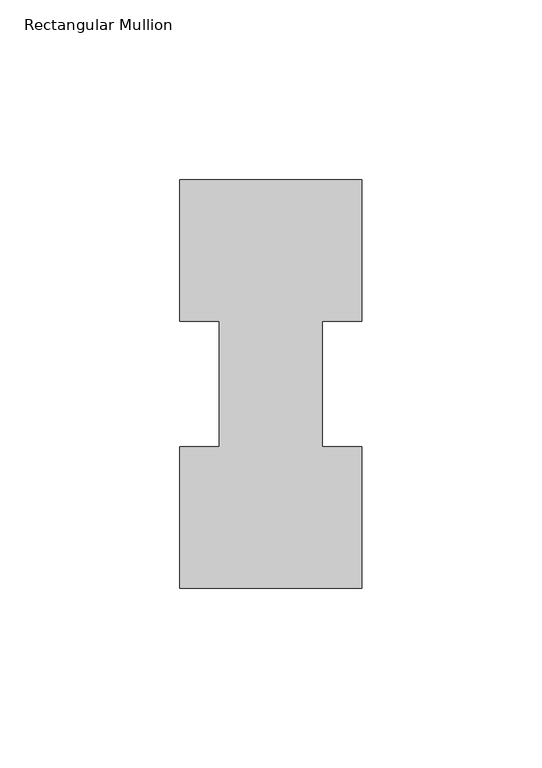
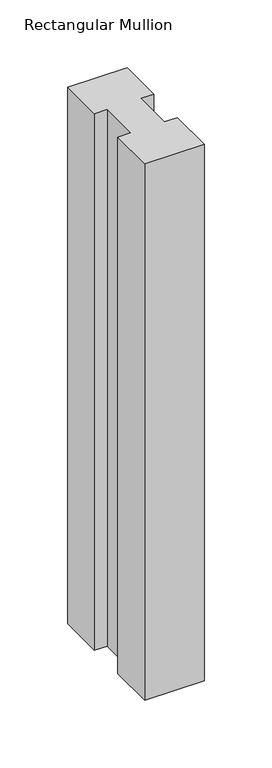
"""IFC4 building model written with IfcOpenShell, lengths in millimetres: member geometry, Rectangular Mullion."""

import ifcopenshell
import ifcopenshell.guid

model = None  # the IFC model being written
_history = None  # IfcOwnerHistory: only IFC2X3 demands one
_inside = {}  # id of a spatial element -> (the spatial element, [elements in it])
_under = {}  # id of a project, library or spatial element -> (it, [spatial elements below it])
_declared = {}  # id of a project -> (the project, [libraries it declares])
_typed = {}  # id of a type object -> (the type object, [elements of that type])
_made_of = {}  # id of a material, layer set ... -> (it, [elements and type objects made of it])


def new_model(schema):
    """Start an empty IFC model of exactly this schema.

    Asked for "IFC4X3", IfcOpenShell would pick the latest addendum, in which some entities
    have other attributes; the version numbers below select the first issue.
    IFC2X3 requires an IfcOwnerHistory on every rooted entity: one is made here for all.
    """
    global model, _history
    if schema == "IFC4X3":
        model = ifcopenshell.file(schema_version=(4, 3, 0, 0))
    else:
        model = ifcopenshell.file(schema=schema)
    _inside.clear()
    _under.clear()
    _declared.clear()
    _typed.clear()
    _made_of.clear()
    _history = None
    if model.schema == "IFC2X3":
        org = make("IfcOrganization", Name="unknown")
        user = make(
            "IfcPersonAndOrganization",
            ThePerson=make("IfcPerson", FamilyName="unknown"),
            TheOrganization=org,
        )
        app = make(
            "IfcApplication",
            ApplicationDeveloper=org,
            Version="unknown",
            ApplicationFullName="unknown",
            ApplicationIdentifier="unknown",
        )
        _history = make(
            "IfcOwnerHistory",
            OwningUser=user,
            OwningApplication=app,
            ChangeAction="ADDED",
            CreationDate=0,
        )
    return model


def make(cls, **values):
    """One entity of the class cls with the attributes given. An attribute that is None is left unset."""
    return model.create_entity(
        cls, **{name: value for name, value in values.items() if value is not None}
    )


def rooted(cls, **values):
    """An entity with a GlobalId (a new one), such as an element, a storey or a relation."""
    return make(cls, GlobalId=ifcopenshell.guid.new(), OwnerHistory=_history, **values)


def si_unit(unit_type, name, prefix=None):
    """IfcSIUnit, for example si_unit("LENGTHUNIT", "METRE", prefix="MILLI")."""
    return make("IfcSIUnit", UnitType=unit_type, Prefix=prefix, Name=name)


def assignment(units):
    """IfcUnitAssignment: the units of a project."""
    return None if units is None else make("IfcUnitAssignment", Units=units)


def point(xyz):
    """IfcCartesianPoint."""
    return None if xyz is None else make("IfcCartesianPoint", Coordinates=xyz)


def direction(xyz):
    """IfcDirection."""
    return None if xyz is None else make("IfcDirection", DirectionRatios=xyz)


def frame(location, z_axis=None, x_axis=None):
    """IfcAxis2Placement3D, a coordinate frame: its origin and axes. An axis left out is left unset."""
    return make(
        "IfcAxis2Placement3D",
        Location=point(location),
        Axis=direction(z_axis),
        RefDirection=direction(x_axis),
    )


def origin():
    """The frame at (0, 0, 0) with its axes left unset."""
    return frame((0.0, 0.0, 0.0))


def place(relative_to, where):
    """IfcLocalPlacement: puts the frame where relative to a parent placement (None: the world)."""
    return make(
        "IfcLocalPlacement", PlacementRelTo=relative_to, RelativePlacement=where
    )


def context(
    kind, dimensions, precision=None, world=None, true_north=None, identifier=None
):
    """IfcGeometricRepresentationContext, for example the 3D "Model" context."""
    return make(
        "IfcGeometricRepresentationContext",
        ContextIdentifier=identifier,
        ContextType=kind,
        CoordinateSpaceDimension=dimensions,
        Precision=precision,
        WorldCoordinateSystem=world,
        TrueNorth=true_north,
    )


def project(units=None, contexts=None):
    """IfcProject with its units and contexts."""
    return rooted(
        "IfcProject",
        Name="project",
        RepresentationContexts=contexts,
        UnitsInContext=assignment(units),
    )


def spatial(cls, under=None, at=None, **own):
    """A site, building, storey or space (cls), placed at a placement, below another one or the project."""
    s = rooted(cls, ObjectPlacement=at, **own)
    if under is not None:
        _under.setdefault(under.id(), (under, []))[1].append(s)
    return s


def polyline(points):
    """IfcPolyline through the points."""
    return make("IfcPolyline", Points=[point(p) for p in points])


def outline(outer, holes=None, kind="AREA"):
    """IfcArbitraryClosedProfileDef: a profile drawn as a closed curve; with holes, ...WithVoids."""
    if holes is None:
        return make("IfcArbitraryClosedProfileDef", ProfileType=kind, OuterCurve=outer)
    return make(
        "IfcArbitraryProfileDefWithVoids",
        ProfileType=kind,
        OuterCurve=outer,
        InnerCurves=holes,
    )


def extrude(swept, where, along, depth):
    """IfcExtrudedAreaSolid: the profile swept, set in the frame where, extruded along a direction by depth."""
    return make(
        "IfcExtrudedAreaSolid",
        SweptArea=swept,
        Position=where,
        ExtrudedDirection=direction(along),
        Depth=depth,
    )


def shape(context_of_items, identifier, shape_type, items):
    """IfcShapeRepresentation: the items that make up one representation, for example the "Body"."""
    return make(
        "IfcShapeRepresentation",
        ContextOfItems=context_of_items,
        RepresentationIdentifier=identifier,
        RepresentationType=shape_type,
        Items=items,
    )


def source(mapping_origin, context_of_items, identifier, shape_type, items):
    """IfcRepresentationMap: a shape defined once, which mapped items show again and again."""
    return make(
        "IfcRepresentationMap",
        MappingOrigin=mapping_origin,
        MappedRepresentation=shape(context_of_items, identifier, shape_type, items),
    )


def transform(
    local_origin,
    x_axis=None,
    y_axis=None,
    z_axis=None,
    scale=None,
    scale2=None,
    scale3=None,
    uniform=True,
):
    """IfcCartesianTransformationOperator3D, or its non-uniform kind. x_axis, y_axis, z_axis: its Axis1, 2, 3."""
    if uniform:
        return make(
            "IfcCartesianTransformationOperator3D",
            Axis1=direction(x_axis),
            Axis2=direction(y_axis),
            LocalOrigin=point(local_origin),
            Scale=scale,
            Axis3=direction(z_axis),
        )
    return make(
        "IfcCartesianTransformationOperator3DnonUniform",
        Axis1=direction(x_axis),
        Axis2=direction(y_axis),
        LocalOrigin=point(local_origin),
        Scale=scale,
        Axis3=direction(z_axis),
        Scale2=scale2,
        Scale3=scale3,
    )


def mapped(mapping_source, mapping_target):
    """IfcMappedItem: shows the shape of a source again, moved by a transform."""
    return make(
        "IfcMappedItem", MappingSource=mapping_source, MappingTarget=mapping_target
    )


def made_of(thing, what):
    """Note that an element or type object is made of a material, layer set ...; save() writes the relation."""
    if what is not None:
        _made_of.setdefault(what.id(), (what, []))[1].append(thing)
    return thing


def element(
    cls,
    number,
    at=None,
    inside=None,
    cuts=None,
    type_object=None,
    material=None,
    context=None,
    identifier="Body",
    shape_type=None,
    held_by="IfcProductDefinitionShape",
    body=None,
    shapes=None,
    **own,
):
    """One element of the class cls, such as IfcWall. Its Tag is "e" and its number.

    at: its placement. inside: the storey or other place that contains it. cuts: it is an
    opening in that element (IfcRelVoidsElement). A single representation is given by context,
    identifier, shape_type and body (its items); several are given by shapes. held_by: the class
    of the entity that holds the representations. save() writes the other relations.
    """
    e = rooted(cls, Tag="e%d" % number, ObjectPlacement=at, **own)
    if body is not None:
        shapes = [shape(context, identifier, shape_type, body)]
    if shapes is not None:
        e.Representation = make(held_by, Representations=shapes)
    if inside is not None:
        _inside.setdefault(inside.id(), (inside, []))[1].append(e)
    if cuts is not None:
        rooted(
            "IfcRelVoidsElement", RelatingBuildingElement=cuts, RelatedOpeningElement=e
        )
    if type_object is not None:
        _typed.setdefault(type_object.id(), (type_object, []))[1].append(e)
    return made_of(e, material)


def aggregate(whole, parts):
    """IfcRelAggregates: a whole, such as a stair, and the parts it consists of."""
    return rooted("IfcRelAggregates", RelatingObject=whole, RelatedObjects=parts)


def save(model, path):
    """Write the relations noted so far, then the file.

    IfcRelAggregates (storeys below a building ...), IfcRelContainedInSpatialStructure (elements
    in a storey), IfcRelDefinesByType, IfcRelAssociatesMaterial and IfcRelDeclares: one each for
    every whole, place, type object, material and project.
    """
    for whole, parts in _under.values():
        aggregate(whole, parts)
    for where, things in _inside.values():
        rooted(
            "IfcRelContainedInSpatialStructure",
            RelatedElements=things,
            RelatingStructure=where,
        )
    for kind, things in _typed.values():
        rooted("IfcRelDefinesByType", RelatedObjects=things, RelatingType=kind)
    for what, things in _made_of.values():
        rooted("IfcRelAssociatesMaterial", RelatedObjects=things, RelatingMaterial=what)
    for by, libraries in _declared.values():
        rooted("IfcRelDeclares", RelatingContext=by, RelatedDefinitions=libraries)
    model.write(path)


def rectangular_mullion_38c3f34f(model_context):
    return source(origin(), model_context, "Body", "SweptSolid", [
        extrude(outline(polyline([(-50.8, 114.017425), (0.0, 114.017425), (0.0, 74.596625), (-11.0998, 74.596625), (-11.0998, 39.646225), (0.0, 39.646225), (0.0, 0.225425), (-50.8, 0.225425), (-50.8, 39.646225), (-39.6875, 39.646225), (-39.6875, 74.596625), (-50.8, 74.596625), (-50.8, 114.017425)])), frame((0.0, 0.0, -484.5062991), z_axis=(0.0, 0.0, 1.0), x_axis=(1.0, 0.0, 0.0)), (0.0, 0.0, 1.0), 484.5062991),
    ])


if __name__ == "__main__":
    model = new_model("IFC4")
    model_context = context("Model", 3, world=origin())
    ifc_project = project(units=[si_unit("LENGTHUNIT", "METRE", prefix="MILLI")], contexts=[model_context])
    site = spatial("IfcSite", under=ifc_project)
    building = spatial("IfcBuilding", under=site)
    placement = place(None, origin())
    rectangular_mullion_shape = rectangular_mullion_38c3f34f(model_context)
    element("IfcMember", 1, ObjectType="Rectangular Mullion", at=placement, inside=building, context=model_context, shape_type="MappedRepresentation", body=[
        mapped(rectangular_mullion_shape, transform((0.0, 0.0, 0.0), x_axis=(1.0, 0.0, 0.0), y_axis=(0.0, 1.0, 0.0), z_axis=(0.0, 0.0, 1.0))),
    ])
    save(model, "model.ifc")
